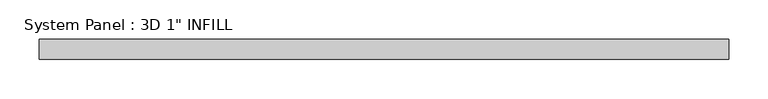
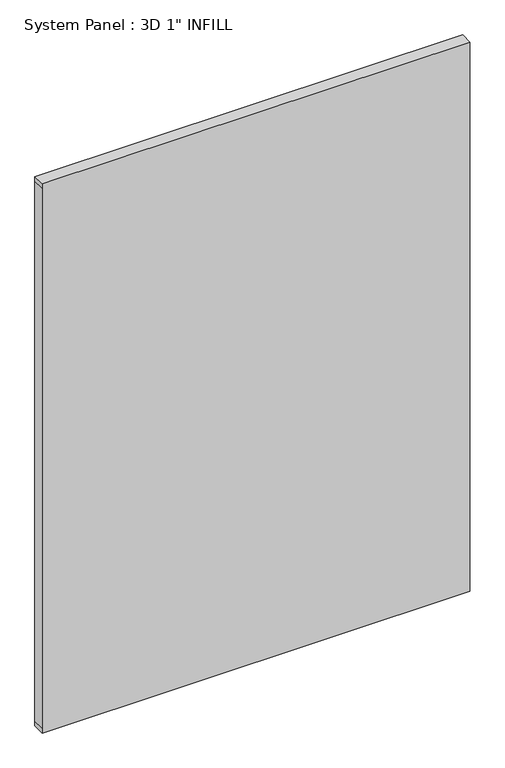
"""IFC4 building model written with IfcOpenShell, lengths in millimetres: plate geometry."""

from ifc_helpers import new_model, si_unit, frame, origin, place, context, project, spatial, polyline, outline, extrude, source, transform, mapped, element, save


def plate_2e356005(model_context):
    return source(origin(), model_context, "Body", "SweptSolid", [
        extrude(outline(polyline([(0.0, -437.8427788), (0.0, 437.8427788), (10.4595854, 437.8427788), (1178.8595854, 437.8427788), (1189.2656556, 437.8427788), (1189.2656556, -437.8427788), (1178.8595854, -437.8427788), (10.4595854, -437.8427788), (0.0, -437.8427788)])), frame((0.0, -12.7, 0.0), z_axis=(0.0, 1.0, 0.0), x_axis=(0.0, 0.0, 1.0)), (0.0, 0.0, 1.0), 25.4),
    ])


if __name__ == "__main__":
    model = new_model("IFC4")
    model_context = context("Model", 3, world=origin())
    ifc_project = project(units=[si_unit("LENGTHUNIT", "METRE", prefix="MILLI")], contexts=[model_context])
    site = spatial("IfcSite", under=ifc_project)
    building = spatial("IfcBuilding", under=site)
    placement = place(None, origin())
    plate_shape = plate_2e356005(model_context)
    element("IfcPlate", 1, ObjectType="System Panel : 3D 1\" INFILL", at=placement, inside=building, context=model_context, shape_type="MappedRepresentation", body=[
        mapped(plate_shape, transform((0.0, 0.0, 0.0), x_axis=(1.0, 0.0, 0.0), y_axis=(0.0, 1.0, 0.0), z_axis=(0.0, 0.0, 1.0))),
    ])
    save(model, "model.ifc")
